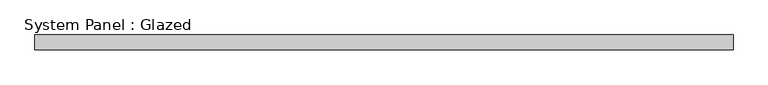
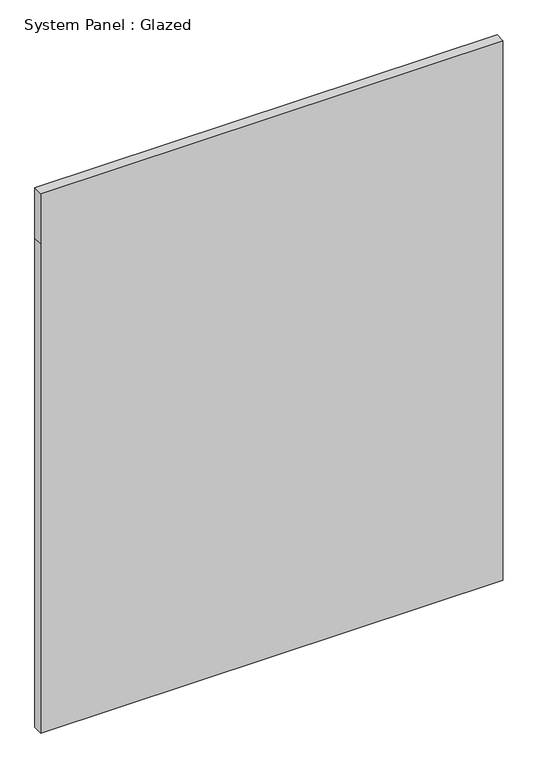
"""IFC4 building model written with IfcOpenShell, lengths in millimetres: plate geometry, System Panel : Glazed."""

from ifc_helpers import new_model, si_unit, frame, origin, place, context, project, spatial, polyline, outline, extrude, source, transform, mapped, element, save


def system_panel_glazed_b3f8a3a9(model_context):
    return source(origin(), model_context, "Body", "SweptSolid", [
        extrude(outline(polyline([(0.0, -587.5), (0.0, 587.5), (1315.0, 587.5), (1450.0, 587.5), (1450.0, -587.5), (1315.0, -587.5), (0.0, -587.5)])), frame((0.0, -49.5, 0.0), z_axis=(0.0, 1.0, 0.0), x_axis=(0.0, 0.0, 1.0)), (0.0, 0.0, 1.0), 25.0),
    ])


if __name__ == "__main__":
    model = new_model("IFC4")
    model_context = context("Model", 3, world=origin())
    ifc_project = project(units=[si_unit("LENGTHUNIT", "METRE", prefix="MILLI")], contexts=[model_context])
    site = spatial("IfcSite", under=ifc_project)
    building = spatial("IfcBuilding", under=site)
    placement = place(None, origin())
    system_panel_glazed_shape = system_panel_glazed_b3f8a3a9(model_context)
    element("IfcPlate", 1, ObjectType="System Panel : Glazed", at=placement, inside=building, context=model_context, shape_type="MappedRepresentation", body=[
        mapped(system_panel_glazed_shape, transform((0.0, 0.0, 0.0), x_axis=(1.0, 0.0, 0.0), y_axis=(0.0, 1.0, 0.0), z_axis=(0.0, 0.0, 1.0))),
    ])
    save(model, "model.ifc")
